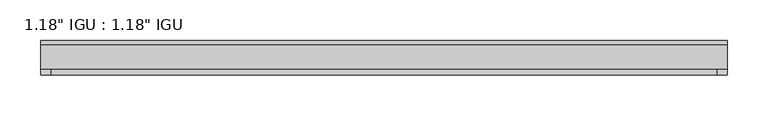
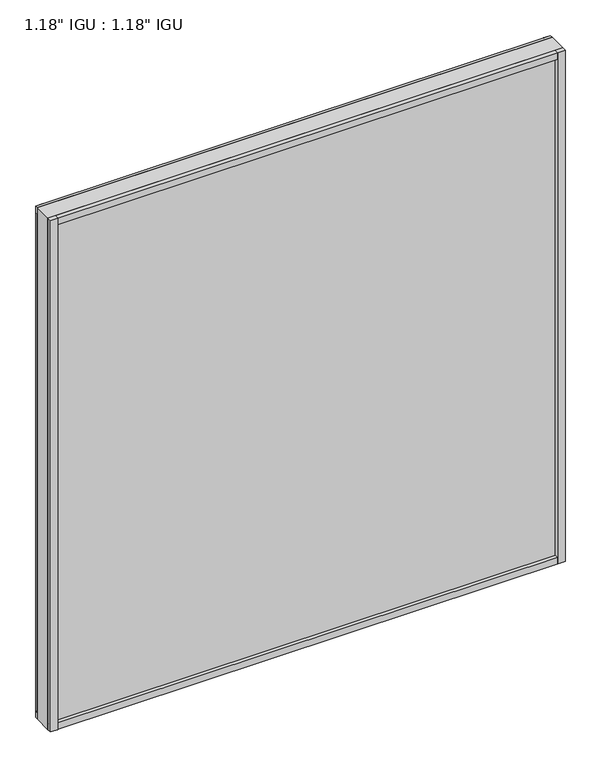
"""IFC4 building model written with IfcOpenShell, lengths in millimetres: plate geometry."""

from ifc_helpers import new_model, si_unit, frame, origin, origin_with_axes, place, context, project, spatial, polyline, outline, extrude, source, transform, mapped, element, save


def plate_e72b2691(model_context):
    return source(origin(), model_context, "Body", "SweptSolid", [
        extrude(outline(polyline([(418.5046875, -9.7647125), (418.5046875, -14.5399125), (-418.5046875, -14.5399125), (-418.5046875, -9.7647125), (418.5046875, -9.7647125)])), origin_with_axes(), (0.0, 0.0, 1.0), 11.1252),
        extrude(outline(polyline([(-418.5046875, -14.5399125), (-418.5046875, -9.7647125), (418.5046875, -9.7647125), (418.5046875, -14.5399125), (-418.5046875, -14.5399125)])), frame((0.0, 0.0, 868.3702658), z_axis=(0.0, 0.0, 1.0), x_axis=(1.0, 0.0, 0.0)), (0.0, 0.0, 1.0), 11.1252),
        extrude(outline(polyline([(418.5046875, -44.6643125), (418.5046875, -51.3953125), (406.3670079, -51.3953125), (406.3670079, -44.6643125), (418.5046875, -44.6643125)])), origin_with_axes(), (0.0, 0.0, 1.0), 879.4954658),
        extrude(outline(polyline([(418.5046875, -9.7765488), (418.5046875, -14.5399125), (406.4922637, -14.5399125), (406.4922637, -9.7765488), (418.5046875, -9.7765488)])), origin_with_axes(), (0.0, 0.0, 1.0), 879.4954658),
        extrude(outline(polyline([(-406.4841104, -51.3953125), (-418.5046875, -51.3953125), (-418.5046875, -44.6643125), (-406.4841104, -44.6643125), (-406.4841104, -51.3953125)])), origin_with_axes(), (0.0, 0.0, 1.0), 879.4954658),
        extrude(outline(polyline([(-406.4841104, -14.5399125), (-418.5046875, -14.5399125), (-418.5046875, -9.7647125), (-406.4841104, -9.7647125), (-406.4841104, -14.5399125)])), origin_with_axes(), (0.0, 0.0, 1.0), 879.4954658),
        extrude(outline(polyline([(418.5046875, -44.6643125), (418.5046875, -51.3953125), (-418.5046875, -51.3953125), (-418.5046875, -44.6643125), (418.5046875, -44.6643125)])), origin_with_axes(), (0.0, 0.0, 1.0), 11.1693096),
        extrude(outline(polyline([(418.5046875, -44.6643125), (418.5046875, -51.3953125), (-418.5046875, -51.3953125), (-418.5046875, -44.6643125), (418.5046875, -44.6643125)])), frame((0.0, 0.0, 868.31436), z_axis=(0.0, 0.0, 1.0), x_axis=(1.0, 0.0, 0.0)), (0.0, 0.0, 1.0), 11.1811058),
        extrude(outline(polyline([(418.5046875, -44.6643125), (-418.5046875, -44.6643125), (-418.5046875, -14.5399125), (418.5046875, -14.5399125), (418.5046875, -44.6643125)])), origin_with_axes(), (0.0, 0.0, 1.0), 879.4954658),
    ])


if __name__ == "__main__":
    model = new_model("IFC4")
    model_context = context("Model", 3, world=origin())
    ifc_project = project(units=[si_unit("LENGTHUNIT", "METRE", prefix="MILLI")], contexts=[model_context])
    site = spatial("IfcSite", under=ifc_project)
    building = spatial("IfcBuilding", under=site)
    placement = place(None, origin())
    plate_shape = plate_e72b2691(model_context)
    element("IfcPlate", 1, ObjectType="1.18\" IGU : 1.18\" IGU", at=placement, inside=building, context=model_context, shape_type="MappedRepresentation", body=[
        mapped(plate_shape, transform((0.0, 0.0, 0.0), x_axis=(1.0, 0.0, 0.0), y_axis=(0.0, 1.0, 0.0), z_axis=(0.0, 0.0, 1.0))),
    ])
    save(model, "model.ifc")
